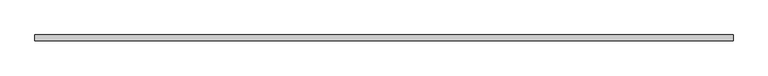
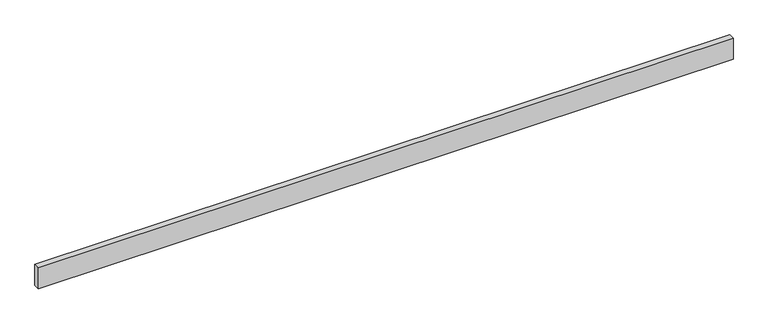
"""IFC4 building model written with IfcOpenShell, lengths in millimetres: beam geometry."""

from ifc_helpers import new_model, si_unit, frame, origin, place, context, project, spatial, polyline, outline, extrude, source, transform, mapped, element, save


def beam_f1702746(model_context):
    return source(origin(), model_context, "Body", "SweptSolid", [
        extrude(outline(polyline([(2209.8, -19.05), (-2209.8, -19.05), (-2209.8, 19.05), (2209.8, 19.05), (2209.8, -19.05)])), frame((0.0, 0.0, -69.85), z_axis=(0.0, 0.0, 1.0), x_axis=(1.0, 0.0, 0.0)), (0.0, 0.0, 1.0), 139.7),
    ])


if __name__ == "__main__":
    model = new_model("IFC4")
    model_context = context("Model", 3, world=origin())
    ifc_project = project(units=[si_unit("LENGTHUNIT", "METRE", prefix="MILLI")], contexts=[model_context])
    site = spatial("IfcSite", under=ifc_project)
    building = spatial("IfcBuilding", under=site)
    placement = place(None, origin())
    beam_shape = beam_f1702746(model_context)
    element("IfcBeam", 1, at=placement, inside=building, context=model_context, shape_type="MappedRepresentation", body=[
        mapped(beam_shape, transform((0.0, 0.0, 0.0), x_axis=(1.0, 0.0, 0.0), y_axis=(0.0, 1.0, 0.0), z_axis=(0.0, 0.0, 1.0))),
    ])
    save(model, "model.ifc")
